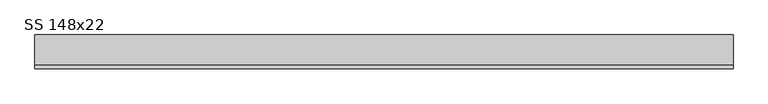
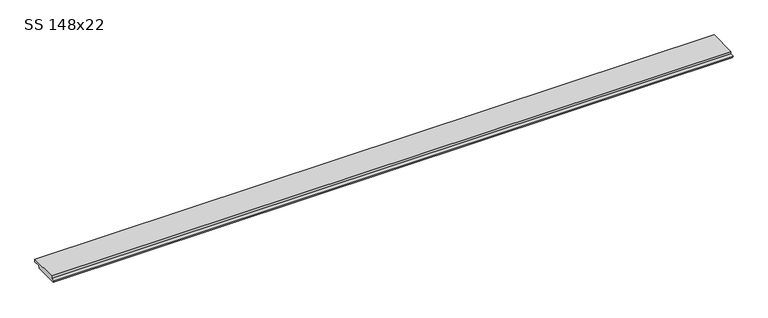
"""IFC4 building model written with IfcOpenShell, lengths in millimetres: beam geometry, SS 148x22."""

from ifc_helpers import new_model, si_unit, frame, origin, place, context, project, spatial, polyline, outline, extrude, source, transform, mapped, element, save


def ss_148x22_c89c91d7(model_context):
    return source(origin(), model_context, "Body", "SweptSolid", [
        extrude(outline(polyline([(-56.0, 0.0), (-56.0, 11.0), (74.0, 11.0), (74.0, 0.0), (46.0, 0.0), (39.649147, -11.0), (-67.649147, -11.0), (-74.0, 0.0), (-56.0, 0.0)])), frame((-1524.0, 0.0, 0.0), z_axis=(1.0, 0.0, 0.0), x_axis=(0.0, 1.0, 0.0)), (0.0, 0.0, 1.0), 3048.0),
    ])


if __name__ == "__main__":
    model = new_model("IFC4")
    model_context = context("Model", 3, world=origin())
    ifc_project = project(units=[si_unit("LENGTHUNIT", "METRE", prefix="MILLI")], contexts=[model_context])
    site = spatial("IfcSite", under=ifc_project)
    building = spatial("IfcBuilding", under=site)
    placement = place(None, origin())
    ss_148x22_shape = ss_148x22_c89c91d7(model_context)
    element("IfcBeam", 1, ObjectType="SS 148x22", at=placement, inside=building, context=model_context, shape_type="MappedRepresentation", body=[
        mapped(ss_148x22_shape, transform((0.0, 0.0, 0.0), x_axis=(1.0, 0.0, 0.0), y_axis=(0.0, 1.0, 0.0), z_axis=(0.0, 0.0, 1.0))),
    ])
    save(model, "model.ifc")
